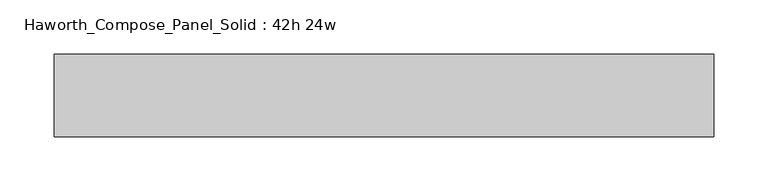
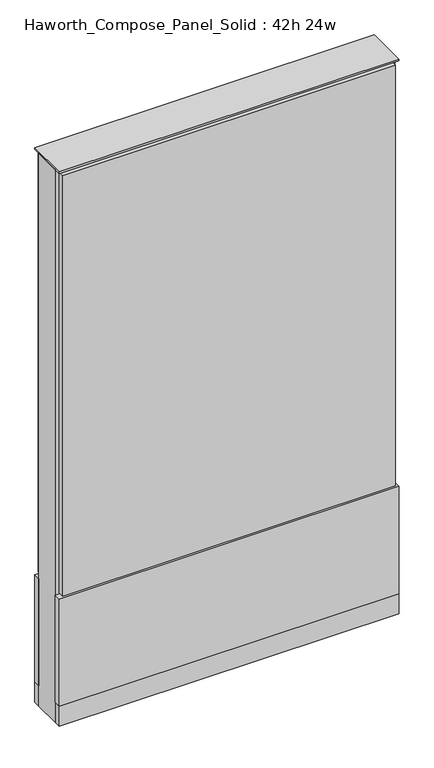
"""IFC4 building model written with IfcOpenShell, lengths in millimetres: furniture geometry, Haworth_Compose_Panel_Solid : 42h 24w."""

from ifc_helpers import new_model, si_unit, point, frame, frame_2d, origin, origin_with_axes, place, context, project, spatial, polyline, circle_curve, trimmed, segment, composite_curve, outline, extrude, source, transform, mapped, element, save


def haworth_compose_panel_solid_42h_24w_8407bd7c(model_context):
    return source(origin(), model_context, "Body", "SweptSolid", [
        extrude(outline(composite_curve([segment(trimmed(circle_curve(frame_2d((-226.1597098, 0.0)), 12.7), [point((-238.8597098, 0.0))], [point((-213.4597098, 0.0))], False, "CARTESIAN"), True, "CONTINUOUS"), segment(trimmed(circle_curve(frame_2d((-226.1597098, 0.0)), 12.7), [point((-213.4597098, 0.0))], [point((-238.8597098, 0.0))], False, "CARTESIAN"), True, "CONTINUOUS")], self_intersect=False)), origin_with_axes(), (0.0, 0.0, 1.0), 12.7),
        extrude(outline(composite_curve([segment(trimmed(circle_curve(frame_2d((231.0402902, 0.0)), 12.7), [point((218.3402902, 0.0))], [point((243.7402902, 0.0))], False, "CARTESIAN"), True, "CONTINUOUS"), segment(trimmed(circle_curve(frame_2d((231.0402902, 0.0)), 12.7), [point((243.7402902, 0.0))], [point((218.3402902, 0.0))], False, "CARTESIAN"), True, "CONTINUOUS")], self_intersect=False)), origin_with_axes(), (0.0, 0.0, 1.0), 12.7),
        extrude(outline(polyline([(300.8902902, 38.1), (300.8902902, 25.4), (-296.0097098, 25.4), (-296.0097098, 38.1), (300.8902902, 38.1)])), frame((0.0, 0.0, 257.175), z_axis=(0.0, 0.0, 1.0), x_axis=(1.0, 0.0, 0.0)), (0.0, 0.0, 1.0), 796.925),
        extrude(outline(polyline([(307.2402902, 38.1), (307.2402902, 25.4), (-302.3597098, 25.4), (-302.3597098, 38.1), (307.2402902, 38.1)])), frame((0.0, 0.0, 50.8), z_axis=(0.0, 0.0, 1.0), x_axis=(1.0, 0.0, 0.0)), (0.0, 0.0, 1.0), 203.2),
        extrude(outline(polyline([(307.2402902, -38.1), (-302.3597098, -38.1), (-302.3597098, -25.4), (307.2402902, -25.4), (307.2402902, -38.1)])), frame((0.0, 0.0, 50.8), z_axis=(0.0, 0.0, 1.0), x_axis=(1.0, 0.0, 0.0)), (0.0, 0.0, 1.0), 203.2),
        extrude(outline(polyline([(300.8902902, -38.1), (-296.0097098, -38.1), (-296.0097098, -25.4), (300.8902902, -25.4), (300.8902902, -38.1)])), frame((0.0, 0.0, 257.175), z_axis=(0.0, 0.0, 1.0), x_axis=(1.0, 0.0, 0.0)), (0.0, 0.0, 1.0), 796.925),
        extrude(outline(polyline([(307.2402902, 25.4), (307.2402902, -25.4), (-302.3597098, -25.4), (-302.3597098, 25.4), (307.2402902, 25.4)])), frame((0.0, 0.0, 12.7), z_axis=(0.0, 0.0, 1.0), x_axis=(1.0, 0.0, 0.0)), (0.0, 0.0, 1.0), 1047.75),
        extrude(outline(polyline([(-302.3597098, -38.1), (-302.3597098, 38.1), (307.2402902, 38.1), (307.2402902, -38.1), (-302.3597098, -38.1)])), frame((0.0, 0.0, 12.7), z_axis=(0.0, 0.0, 1.0), x_axis=(1.0, 0.0, 0.0)), (0.0, 0.0, 1.0), 38.1),
        extrude(outline(polyline([(-302.3597098, -38.1), (-302.3597098, 38.1), (307.2402902, 38.1), (307.2402902, -38.1), (-302.3597098, -38.1)])), frame((0.0, 0.0, 1060.45), z_axis=(0.0, 0.0, 1.0), x_axis=(1.0, 0.0, 0.0)), (0.0, 0.0, 1.0), 3.175),
    ])


if __name__ == "__main__":
    model = new_model("IFC4")
    model_context = context("Model", 3, world=origin())
    ifc_project = project(units=[si_unit("LENGTHUNIT", "METRE", prefix="MILLI")], contexts=[model_context])
    site = spatial("IfcSite", under=ifc_project)
    building = spatial("IfcBuilding", under=site)
    placement = place(None, origin())
    haworth_compose_panel_solid_42h_24w_shape = haworth_compose_panel_solid_42h_24w_8407bd7c(model_context)
    element("IfcFurniture", 1, ObjectType="Haworth_Compose_Panel_Solid : 42h 24w", at=placement, inside=building, context=model_context, shape_type="MappedRepresentation", body=[
        mapped(haworth_compose_panel_solid_42h_24w_shape, transform((0.0, 0.0, 0.0), x_axis=(1.0, 0.0, 0.0), y_axis=(0.0, 1.0, 0.0), z_axis=(0.0, 0.0, 1.0))),
    ])
    save(model, "model.ifc")
